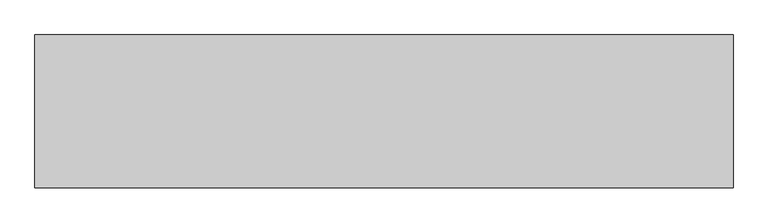
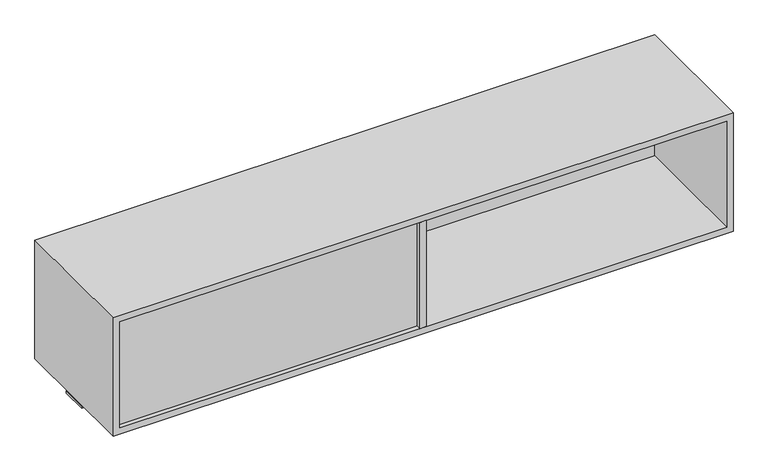
"""IFC4 building model written with IfcOpenShell, lengths in millimetres: furniture geometry."""

from ifc_helpers import new_model, si_unit, frame, origin, place, context, project, spatial, polyline, outline, extrude, source, transform, mapped, element, save


def furniture_ccaf455f(model_context):
    return source(origin(), model_context, "Body", "SweptSolid", [
        extrude(outline(polyline([(466.852, -241.2273724), (447.548, -241.2273724), (447.548, 158.8226276), (466.852, 158.8226276), (466.852, -241.2273724)])), frame((0.0, 0.0, 893.6736), z_axis=(0.0, 0.0, 1.0), x_axis=(1.0, 0.0, 0.0)), (0.0, 0.0, 1.0), 330.5048),
        extrude(outline(polyline([(1371.6, -2.0863724), (1371.6, -80.3183724), (-457.2, -80.3183724), (-457.2, -2.0863724), (1371.6, -2.0863724)])), frame((0.0, 0.0, 864.0826), z_axis=(0.0, 0.0, 1.0), x_axis=(1.0, 0.0, 0.0)), (0.0, 0.0, 1.0), 6.858),
        extrude(outline(polyline([(447.548, -208.5832924), (447.548, -227.8872924), (-437.896, -227.8872924), (-437.896, -208.5832924), (447.548, -208.5832924)])), frame((0.0, 0.0, 893.6736), z_axis=(0.0, 0.0, 1.0), x_axis=(1.0, 0.0, 0.0)), (0.0, 0.0, 1.0), 330.5048),
        extrude(outline(polyline([(1352.296, 145.5282676), (1352.296, 126.2242676), (466.852, 126.2242676), (466.852, 145.5282676), (1352.296, 145.5282676)])), frame((0.0, 0.0, 893.6736), z_axis=(0.0, 0.0, 1.0), x_axis=(1.0, 0.0, 0.0)), (0.0, 0.0, 1.0), 330.5048),
        extrude(outline(polyline([(1243.4824, -457.2), (874.3696, -457.2), (874.3696, 1371.6), (1243.4824, 1371.6), (1243.4824, -457.2)]), holes=[polyline([(1224.1784, -437.896), (1224.1784, 1352.296), (893.6736, 1352.296), (893.6736, -437.896), (1224.1784, -437.896)])]), frame((0.0, -241.2273724, 0.0), z_axis=(0.0, 1.0, 0.0), x_axis=(0.0, 0.0, 1.0)), (0.0, 0.0, 1.0), 400.05),
        extrude(outline(polyline([(466.852, -241.2273724), (447.548, -241.2273724), (447.548, 158.8226276), (466.852, 158.8226276), (466.852, -241.2273724)])), frame((0.0, 0.0, 893.6736), z_axis=(0.0, 0.0, 1.0), x_axis=(1.0, 0.0, 0.0)), (0.0, 0.0, 1.0), 330.5048),
    ])


if __name__ == "__main__":
    model = new_model("IFC4")
    model_context = context("Model", 3, world=origin())
    ifc_project = project(units=[si_unit("LENGTHUNIT", "METRE", prefix="MILLI")], contexts=[model_context])
    site = spatial("IfcSite", under=ifc_project)
    building = spatial("IfcBuilding", under=site)
    placement = place(None, origin())
    furniture_shape = furniture_ccaf455f(model_context)
    element("IfcFurniture", 1, at=placement, inside=building, context=model_context, shape_type="MappedRepresentation", body=[
        mapped(furniture_shape, transform((0.0, 0.0, 0.0), x_axis=(1.0, 0.0, 0.0), y_axis=(0.0, 1.0, 0.0), z_axis=(0.0, 0.0, 1.0))),
    ])
    save(model, "model.ifc")
